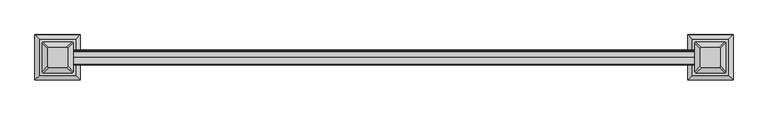
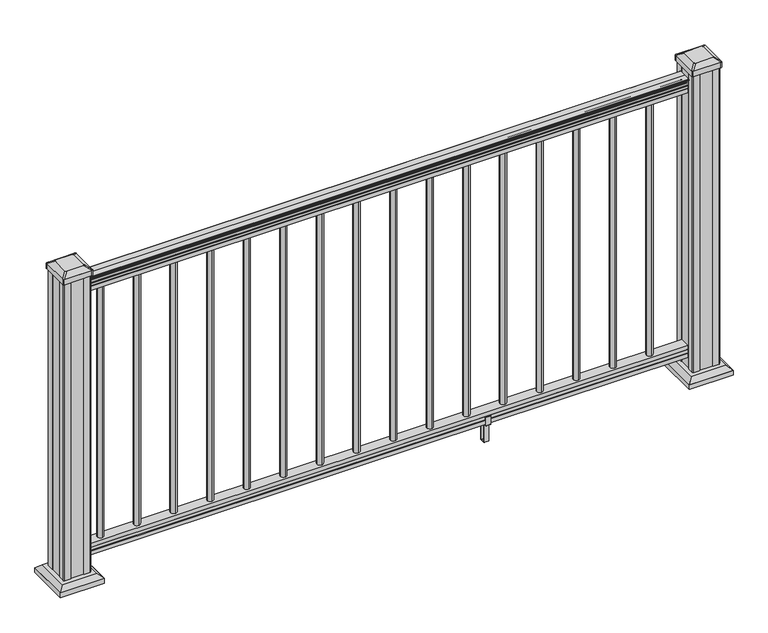
"""IFC4 building model written with IfcOpenShell, lengths in millimetres: railing geometry."""

from ifc_helpers import new_model, si_unit, point, frame, frame_2d, origin, origin_with_axes, place, context, project, spatial, polyline, circle_curve, trimmed, segment, composite_curve, outline, extrude, faceted_brep, source, transform, mapped, element, save
from ifc_brep_helpers import plane_surface, extruded_surface, advanced_brep


def railing_474f02d1(model_context):
    return source(origin(), model_context, "Body", "SolidModel", [
        extrude(outline(composite_curve([segment(polyline([(938.4043297, -20977.4902081), (940.292412, -20977.4902081)]), True, "CONTINUOUS"), segment(trimmed(circle_curve(frame_2d((946.0506383, -20983.8049614)), 8.545951), [point((940.292412, -20977.4902081))], [point((941.8546695, -20976.3600218))], False, "CARTESIAN"), True, "CONTINUOUS"), segment(trimmed(circle_curve(frame_2d((945.4636577, -20983.3678984)), 7.882584), [point((941.8546695, -20976.3600218))], [point((949.0726458, -20976.3600218))], False, "CARTESIAN"), True, "CONTINUOUS"), segment(trimmed(circle_curve(frame_2d((951.3112527, -20972.8545743)), 4.1592695), [point((949.0726458, -20976.3600218))], [point((951.5060812, -20977.0092782))], True, "CARTESIAN"), True, "CONTINUOUS"), segment(trimmed(circle_curve(frame_2d((951.2508864, -20971.5672677)), 5.4479907), [point((951.5060812, -20977.0092782))], [point((955.8362083, -20974.5092782))], True, "CARTESIAN"), True, "CONTINUOUS"), segment(trimmed(circle_curve(frame_2d((955.833395, -20972.8004262)), 1.7088543), [point((955.8362083, -20974.5092782))], [point((957.5157972, -20973.0999357))], True, "CARTESIAN"), True, "CONTINUOUS"), segment(trimmed(circle_curve(frame_2d((958.6205318, -20974.4173262)), 1.7192895), [point((957.5157972, -20973.0999357))], [point((958.6205318, -20972.6980367))], False, "CARTESIAN"), True, "CONTINUOUS"), segment(polyline([(958.6205318, -20972.6980367), (959.9608158, -20972.6980368)]), True, "CONTINUOUS"), segment(trimmed(circle_curve(frame_2d((959.9608158, -20974.251484)), 1.5534472), [point((959.9608158, -20972.6980368))], [point((961.514263, -20974.251484))], False, "CARTESIAN"), True, "CONTINUOUS"), segment(polyline([(961.514263, -20974.251484), (961.514263, -20994.9230368), (961.514263, -21015.5945896)]), True, "CONTINUOUS"), segment(trimmed(circle_curve(frame_2d((959.9608158, -21015.5945896)), 1.5534472), [point((961.514263, -21015.5945896))], [point((959.9608158, -21017.1480368))], False, "CARTESIAN"), True, "CONTINUOUS"), segment(polyline([(959.9608158, -21017.1480368), (958.6205318, -21017.1480368)]), True, "CONTINUOUS"), segment(trimmed(circle_curve(frame_2d((958.6205318, -21015.4287474)), 1.7192895), [point((958.6205318, -21017.1480368))], [point((957.5157972, -21016.7461379))], False, "CARTESIAN"), True, "CONTINUOUS"), segment(trimmed(circle_curve(frame_2d((955.833395, -21017.0456475)), 1.7088543), [point((957.5157972, -21016.7461379))], [point((955.8362083, -21015.3367954))], True, "CARTESIAN"), True, "CONTINUOUS"), segment(trimmed(circle_curve(frame_2d((951.2508864, -21018.2788059)), 5.4479907), [point((955.8362083, -21015.3367954))], [point((951.5060812, -21012.8367954))], True, "CARTESIAN"), True, "CONTINUOUS"), segment(trimmed(circle_curve(frame_2d((951.3112527, -21016.9914994)), 4.1592695), [point((951.5060812, -21012.8367954))], [point((949.0726458, -21013.4860518))], True, "CARTESIAN"), True, "CONTINUOUS"), segment(trimmed(circle_curve(frame_2d((945.4636577, -21006.4781752)), 7.882584), [point((949.0726458, -21013.4860518))], [point((941.8546695, -21013.4860518))], False, "CARTESIAN"), True, "CONTINUOUS"), segment(trimmed(circle_curve(frame_2d((946.0506383, -21006.0411123)), 8.545951), [point((941.8546695, -21013.4860518))], [point((940.292412, -21012.3558655))], False, "CARTESIAN"), True, "CONTINUOUS"), segment(polyline([(940.292412, -21012.3558655), (938.4043297, -21012.3558655)]), True, "CONTINUOUS"), segment(trimmed(circle_curve(frame_2d((938.4043297, -21011.0689512)), 1.2869144), [point((938.4043297, -21012.3558655))], [point((938.4043297, -21009.7820368))], False, "CARTESIAN"), True, "CONTINUOUS"), segment(polyline([(938.4043297, -21009.7820368), (927.9048283, -21009.7820368), (926.8888283, -21010.7980368), (914.4, -21010.7980368), (914.4, -20979.0480368), (926.731013, -20979.0480368), (927.747013, -20980.0640368), (938.4043297, -20980.0640368)]), True, "CONTINUOUS"), segment(trimmed(circle_curve(frame_2d((938.4043297, -20978.7771224)), 1.2869144), [point((938.4043297, -20980.0640368))], [point((938.4043297, -20977.4902081))], False, "CARTESIAN"), True, "CONTINUOUS")], self_intersect=False)), frame((15674.3243019, 0.0, 0.0), z_axis=(-1.0, 0.0, 0.0), x_axis=(0.0, 0.0, 1.0)), (0.0, 0.0, 1.0), 1828.8),
        extrude(outline(polyline([(-20979.0105499, 76.0541976), (-20979.0105499, 63.5), (-21010.7605499, 63.5), (-21010.7605499, 76.0375508), (-21009.7445499, 77.3858283), (-21009.7445499, 87.6975248), (-21010.7605499, 89.0458024), (-21010.7605499, 101.5958781), (-20979.0105499, 101.5958781), (-20979.0105499, 89.0624492), (-20980.0265499, 87.7141717), (-20980.0265499, 77.3546183), (-20979.0105499, 76.0541976)])), frame((13845.5243019, 0.0, 0.0), z_axis=(1.0, 0.0, 0.0), x_axis=(0.0, 1.0, 0.0)), (0.0, 0.0, 1.0), 1828.8),
        extrude(outline(composite_curve([segment(trimmed(circle_curve(frame_2d((15566.6283019, -20994.9230368)), 9.525), [point((15566.6283019, -20985.3980368))], [point((15576.1533019, -20994.9230368))], False, "CARTESIAN"), True, "CONTINUOUS"), segment(trimmed(circle_curve(frame_2d((15566.6283019, -20994.9230368)), 9.525), [point((15576.1533019, -20994.9230368))], [point((15566.6283019, -21004.4480368))], False, "CARTESIAN"), True, "CONTINUOUS"), segment(trimmed(circle_curve(frame_2d((15566.6283019, -20994.9230368)), 9.525), [point((15566.6283019, -21004.4480368))], [point((15557.1033019, -20994.9230368))], False, "CARTESIAN"), True, "CONTINUOUS"), segment(trimmed(circle_curve(frame_2d((15566.6283019, -20994.9230368)), 9.525), [point((15557.1033019, -20994.9230368))], [point((15566.6283019, -20985.3980368))], False, "CARTESIAN"), True, "CONTINUOUS")], self_intersect=False)), frame((0.0, 0.0, 101.5958781), z_axis=(0.0, 0.0, 1.0), x_axis=(1.0, 0.0, 0.0)), (0.0, 0.0, 1.0), 812.8041219),
        extrude(outline(composite_curve([segment(trimmed(circle_curve(frame_2d((15455.3763019, -20994.9230368)), 9.525), [point((15455.3763019, -20985.3980368))], [point((15464.9013019, -20994.9230368))], False, "CARTESIAN"), True, "CONTINUOUS"), segment(trimmed(circle_curve(frame_2d((15455.3763019, -20994.9230368)), 9.525), [point((15464.9013019, -20994.9230368))], [point((15455.3763019, -21004.4480368))], False, "CARTESIAN"), True, "CONTINUOUS"), segment(trimmed(circle_curve(frame_2d((15455.3763019, -20994.9230368)), 9.525), [point((15455.3763019, -21004.4480368))], [point((15445.8513019, -20994.9230368))], False, "CARTESIAN"), True, "CONTINUOUS"), segment(trimmed(circle_curve(frame_2d((15455.3763019, -20994.9230368)), 9.525), [point((15445.8513019, -20994.9230368))], [point((15455.3763019, -20985.3980368))], False, "CARTESIAN"), True, "CONTINUOUS")], self_intersect=False)), frame((0.0, 0.0, 101.5958781), z_axis=(0.0, 0.0, 1.0), x_axis=(1.0, 0.0, 0.0)), (0.0, 0.0, 1.0), 812.8041219),
        extrude(outline(composite_curve([segment(trimmed(circle_curve(frame_2d((15344.1243019, -20994.9230368)), 9.525), [point((15344.1243019, -20985.3980368))], [point((15353.6493019, -20994.9230368))], False, "CARTESIAN"), True, "CONTINUOUS"), segment(trimmed(circle_curve(frame_2d((15344.1243019, -20994.9230368)), 9.525), [point((15353.6493019, -20994.9230368))], [point((15344.1243019, -21004.4480368))], False, "CARTESIAN"), True, "CONTINUOUS"), segment(trimmed(circle_curve(frame_2d((15344.1243019, -20994.9230368)), 9.525), [point((15344.1243019, -21004.4480368))], [point((15334.5993019, -20994.9230368))], False, "CARTESIAN"), True, "CONTINUOUS"), segment(trimmed(circle_curve(frame_2d((15344.1243019, -20994.9230368)), 9.525), [point((15334.5993019, -20994.9230368))], [point((15344.1243019, -20985.3980368))], False, "CARTESIAN"), True, "CONTINUOUS")], self_intersect=False)), frame((0.0, 0.0, 101.5958781), z_axis=(0.0, 0.0, 1.0), x_axis=(1.0, 0.0, 0.0)), (0.0, 0.0, 1.0), 812.8041219),
        extrude(outline(composite_curve([segment(trimmed(circle_curve(frame_2d((15232.8723019, -20994.9230368)), 9.525), [point((15232.8723019, -20985.3980368))], [point((15242.3973019, -20994.9230368))], False, "CARTESIAN"), True, "CONTINUOUS"), segment(trimmed(circle_curve(frame_2d((15232.8723019, -20994.9230368)), 9.525), [point((15242.3973019, -20994.9230368))], [point((15232.8723019, -21004.4480368))], False, "CARTESIAN"), True, "CONTINUOUS"), segment(trimmed(circle_curve(frame_2d((15232.8723019, -20994.9230368)), 9.525), [point((15232.8723019, -21004.4480368))], [point((15223.3473019, -20994.9230368))], False, "CARTESIAN"), True, "CONTINUOUS"), segment(trimmed(circle_curve(frame_2d((15232.8723019, -20994.9230368)), 9.525), [point((15223.3473019, -20994.9230368))], [point((15232.8723019, -20985.3980368))], False, "CARTESIAN"), True, "CONTINUOUS")], self_intersect=False)), frame((0.0, 0.0, 101.5958781), z_axis=(0.0, 0.0, 1.0), x_axis=(1.0, 0.0, 0.0)), (0.0, 0.0, 1.0), 812.8041219),
        extrude(outline(composite_curve([segment(trimmed(circle_curve(frame_2d((15121.6203019, -20994.9230368)), 9.525), [point((15121.6203019, -20985.3980368))], [point((15131.1453019, -20994.9230368))], False, "CARTESIAN"), True, "CONTINUOUS"), segment(trimmed(circle_curve(frame_2d((15121.6203019, -20994.9230368)), 9.525), [point((15131.1453019, -20994.9230368))], [point((15121.6203019, -21004.4480368))], False, "CARTESIAN"), True, "CONTINUOUS"), segment(trimmed(circle_curve(frame_2d((15121.6203019, -20994.9230368)), 9.525), [point((15121.6203019, -21004.4480368))], [point((15112.0953019, -20994.9230368))], False, "CARTESIAN"), True, "CONTINUOUS"), segment(trimmed(circle_curve(frame_2d((15121.6203019, -20994.9230368)), 9.525), [point((15112.0953019, -20994.9230368))], [point((15121.6203019, -20985.3980368))], False, "CARTESIAN"), True, "CONTINUOUS")], self_intersect=False)), frame((0.0, 0.0, 101.5958781), z_axis=(0.0, 0.0, 1.0), x_axis=(1.0, 0.0, 0.0)), (0.0, 0.0, 1.0), 812.8041219),
        extrude(outline(polyline([(-21013.0840356, 88.7203979), (-21011.052036, 88.7203979), (-21010.0360363, 87.7043953), (-21010.0360363, 77.2686081), (-21011.052036, 76.2526073), (-21011.052036, 64.262001), (-21010.2900369, 63.5000019), (-20979.5560358, 63.5000019), (-20978.7940366, 64.262001), (-20978.7940366, 76.2526073), (-20979.8100364, 77.2686081), (-20979.8100364, 87.7043953), (-20978.7940366, 88.7203979), (-20976.762037, 88.7203979), (-20976.000036, 87.9583969), (-20976.000036, 61.4680023), (-20976.762037, 60.7060013), (-20986.7950361, 60.7060013), (-20987.5570362, 59.9440012), (-20987.5570362, 0.762001), (-20988.3190372, 0.0), (-21001.5270364, 0.0), (-21002.2890365, 0.7620001), (-21002.2890365, 59.9440012), (-21003.0510366, 60.7060013), (-21013.0840356, 60.7060013), (-21013.8460367, 61.4680023), (-21013.8460367, 87.9583969), (-21013.0840356, 88.7203979)]), holes=[polyline([(-20991.4940364, 60.7060013), (-20998.3520362, 60.7060013), (-20999.1140363, 59.9440012), (-20999.1140363, 3.9370003), (-20998.3520391, 3.1750031), (-20991.4940364, 3.1750031), (-20990.7320363, 3.9370031), (-20990.7320363, 59.9440012), (-20991.4940364, 60.7060013)])]), frame((15058.6283019, 0.0, 0.0), z_axis=(1.0, 0.0, 0.0), x_axis=(0.0, 1.0, 0.0)), (0.0, 0.0, 1.0), 14.732),
        extrude(outline(composite_curve([segment(trimmed(circle_curve(frame_2d((15010.3683019, -20994.9230368)), 9.525), [point((15010.3683019, -20985.3980368))], [point((15019.8933019, -20994.9230368))], False, "CARTESIAN"), True, "CONTINUOUS"), segment(trimmed(circle_curve(frame_2d((15010.3683019, -20994.9230368)), 9.525), [point((15019.8933019, -20994.9230368))], [point((15010.3683019, -21004.4480368))], False, "CARTESIAN"), True, "CONTINUOUS"), segment(trimmed(circle_curve(frame_2d((15010.3683019, -20994.9230368)), 9.525), [point((15010.3683019, -21004.4480368))], [point((15000.8433019, -20994.9230368))], False, "CARTESIAN"), True, "CONTINUOUS"), segment(trimmed(circle_curve(frame_2d((15010.3683019, -20994.9230368)), 9.525), [point((15000.8433019, -20994.9230368))], [point((15010.3683019, -20985.3980368))], False, "CARTESIAN"), True, "CONTINUOUS")], self_intersect=False)), frame((0.0, 0.0, 101.5958781), z_axis=(0.0, 0.0, 1.0), x_axis=(1.0, 0.0, 0.0)), (0.0, 0.0, 1.0), 812.8041219),
        extrude(outline(composite_curve([segment(trimmed(circle_curve(frame_2d((14899.1163019, -20994.9230368)), 9.525), [point((14899.1163019, -20985.3980368))], [point((14908.6413019, -20994.9230368))], False, "CARTESIAN"), True, "CONTINUOUS"), segment(trimmed(circle_curve(frame_2d((14899.1163019, -20994.9230368)), 9.525), [point((14908.6413019, -20994.9230368))], [point((14899.1163019, -21004.4480368))], False, "CARTESIAN"), True, "CONTINUOUS"), segment(trimmed(circle_curve(frame_2d((14899.1163019, -20994.9230368)), 9.525), [point((14899.1163019, -21004.4480368))], [point((14889.5913019, -20994.9230368))], False, "CARTESIAN"), True, "CONTINUOUS"), segment(trimmed(circle_curve(frame_2d((14899.1163019, -20994.9230368)), 9.525), [point((14889.5913019, -20994.9230368))], [point((14899.1163019, -20985.3980368))], False, "CARTESIAN"), True, "CONTINUOUS")], self_intersect=False)), frame((0.0, 0.0, 101.5958781), z_axis=(0.0, 0.0, 1.0), x_axis=(1.0, 0.0, 0.0)), (0.0, 0.0, 1.0), 812.8041219),
        extrude(outline(composite_curve([segment(trimmed(circle_curve(frame_2d((14787.8643019, -20994.9230368)), 9.525), [point((14787.8643019, -20985.3980368))], [point((14797.3893019, -20994.9230368))], False, "CARTESIAN"), True, "CONTINUOUS"), segment(trimmed(circle_curve(frame_2d((14787.8643019, -20994.9230368)), 9.525), [point((14797.3893019, -20994.9230368))], [point((14787.8643019, -21004.4480368))], False, "CARTESIAN"), True, "CONTINUOUS"), segment(trimmed(circle_curve(frame_2d((14787.8643019, -20994.9230368)), 9.525), [point((14787.8643019, -21004.4480368))], [point((14778.3393019, -20994.9230368))], False, "CARTESIAN"), True, "CONTINUOUS"), segment(trimmed(circle_curve(frame_2d((14787.8643019, -20994.9230368)), 9.525), [point((14778.3393019, -20994.9230368))], [point((14787.8643019, -20985.3980368))], False, "CARTESIAN"), True, "CONTINUOUS")], self_intersect=False)), frame((0.0, 0.0, 101.5958781), z_axis=(0.0, 0.0, 1.0), x_axis=(1.0, 0.0, 0.0)), (0.0, 0.0, 1.0), 812.8041219),
        extrude(outline(composite_curve([segment(trimmed(circle_curve(frame_2d((14676.6123019, -20994.9230368)), 9.525), [point((14676.6123019, -20985.3980368))], [point((14686.1373019, -20994.9230368))], False, "CARTESIAN"), True, "CONTINUOUS"), segment(trimmed(circle_curve(frame_2d((14676.6123019, -20994.9230368)), 9.525), [point((14686.1373019, -20994.9230368))], [point((14676.6123019, -21004.4480368))], False, "CARTESIAN"), True, "CONTINUOUS"), segment(trimmed(circle_curve(frame_2d((14676.6123019, -20994.9230368)), 9.525), [point((14676.6123019, -21004.4480368))], [point((14667.0873019, -20994.9230368))], False, "CARTESIAN"), True, "CONTINUOUS"), segment(trimmed(circle_curve(frame_2d((14676.6123019, -20994.9230368)), 9.525), [point((14667.0873019, -20994.9230368))], [point((14676.6123019, -20985.3980368))], False, "CARTESIAN"), True, "CONTINUOUS")], self_intersect=False)), frame((0.0, 0.0, 101.5958781), z_axis=(0.0, 0.0, 1.0), x_axis=(1.0, 0.0, 0.0)), (0.0, 0.0, 1.0), 812.8041219),
        extrude(outline(composite_curve([segment(trimmed(circle_curve(frame_2d((14565.3603019, -20994.9230368)), 9.525), [point((14565.3603019, -20985.3980368))], [point((14574.8853019, -20994.9230368))], False, "CARTESIAN"), True, "CONTINUOUS"), segment(trimmed(circle_curve(frame_2d((14565.3603019, -20994.9230368)), 9.525), [point((14574.8853019, -20994.9230368))], [point((14565.3603019, -21004.4480368))], False, "CARTESIAN"), True, "CONTINUOUS"), segment(trimmed(circle_curve(frame_2d((14565.3603019, -20994.9230368)), 9.525), [point((14565.3603019, -21004.4480368))], [point((14555.8353019, -20994.9230368))], False, "CARTESIAN"), True, "CONTINUOUS"), segment(trimmed(circle_curve(frame_2d((14565.3603019, -20994.9230368)), 9.525), [point((14555.8353019, -20994.9230368))], [point((14565.3603019, -20985.3980368))], False, "CARTESIAN"), True, "CONTINUOUS")], self_intersect=False)), frame((0.0, 0.0, 101.5958781), z_axis=(0.0, 0.0, 1.0), x_axis=(1.0, 0.0, 0.0)), (0.0, 0.0, 1.0), 812.8041219),
        extrude(outline(composite_curve([segment(trimmed(circle_curve(frame_2d((14454.1083019, -20994.9230368)), 9.525), [point((14454.1083019, -20985.3980368))], [point((14463.6333019, -20994.9230368))], False, "CARTESIAN"), True, "CONTINUOUS"), segment(trimmed(circle_curve(frame_2d((14454.1083019, -20994.9230368)), 9.525), [point((14463.6333019, -20994.9230368))], [point((14454.1083019, -21004.4480368))], False, "CARTESIAN"), True, "CONTINUOUS"), segment(trimmed(circle_curve(frame_2d((14454.1083019, -20994.9230368)), 9.525), [point((14454.1083019, -21004.4480368))], [point((14444.5833019, -20994.9230368))], False, "CARTESIAN"), True, "CONTINUOUS"), segment(trimmed(circle_curve(frame_2d((14454.1083019, -20994.9230368)), 9.525), [point((14444.5833019, -20994.9230368))], [point((14454.1083019, -20985.3980368))], False, "CARTESIAN"), True, "CONTINUOUS")], self_intersect=False)), frame((0.0, 0.0, 101.5958781), z_axis=(0.0, 0.0, 1.0), x_axis=(1.0, 0.0, 0.0)), (0.0, 0.0, 1.0), 812.8041219),
        extrude(outline(composite_curve([segment(trimmed(circle_curve(frame_2d((14342.8563019, -20994.9230368)), 9.525), [point((14342.8563019, -20985.3980368))], [point((14352.3813019, -20994.9230368))], False, "CARTESIAN"), True, "CONTINUOUS"), segment(trimmed(circle_curve(frame_2d((14342.8563019, -20994.9230368)), 9.525), [point((14352.3813019, -20994.9230368))], [point((14342.8563019, -21004.4480368))], False, "CARTESIAN"), True, "CONTINUOUS"), segment(trimmed(circle_curve(frame_2d((14342.8563019, -20994.9230368)), 9.525), [point((14342.8563019, -21004.4480368))], [point((14333.3313019, -20994.9230368))], False, "CARTESIAN"), True, "CONTINUOUS"), segment(trimmed(circle_curve(frame_2d((14342.8563019, -20994.9230368)), 9.525), [point((14333.3313019, -20994.9230368))], [point((14342.8563019, -20985.3980368))], False, "CARTESIAN"), True, "CONTINUOUS")], self_intersect=False)), frame((0.0, 0.0, 101.5958781), z_axis=(0.0, 0.0, 1.0), x_axis=(1.0, 0.0, 0.0)), (0.0, 0.0, 1.0), 812.8041219),
        extrude(outline(composite_curve([segment(trimmed(circle_curve(frame_2d((14231.6043019, -20994.9230368)), 9.525), [point((14231.6043019, -20985.3980368))], [point((14241.1293019, -20994.9230368))], False, "CARTESIAN"), True, "CONTINUOUS"), segment(trimmed(circle_curve(frame_2d((14231.6043019, -20994.9230368)), 9.525), [point((14241.1293019, -20994.9230368))], [point((14231.6043019, -21004.4480368))], False, "CARTESIAN"), True, "CONTINUOUS"), segment(trimmed(circle_curve(frame_2d((14231.6043019, -20994.9230368)), 9.525), [point((14231.6043019, -21004.4480368))], [point((14222.0793019, -20994.9230368))], False, "CARTESIAN"), True, "CONTINUOUS"), segment(trimmed(circle_curve(frame_2d((14231.6043019, -20994.9230368)), 9.525), [point((14222.0793019, -20994.9230368))], [point((14231.6043019, -20985.3980368))], False, "CARTESIAN"), True, "CONTINUOUS")], self_intersect=False)), frame((0.0, 0.0, 101.5958781), z_axis=(0.0, 0.0, 1.0), x_axis=(1.0, 0.0, 0.0)), (0.0, 0.0, 1.0), 812.8041219),
        extrude(outline(composite_curve([segment(trimmed(circle_curve(frame_2d((14120.3523019, -20994.9230368)), 9.525), [point((14120.3523019, -20985.3980368))], [point((14129.8773019, -20994.9230368))], False, "CARTESIAN"), True, "CONTINUOUS"), segment(trimmed(circle_curve(frame_2d((14120.3523019, -20994.9230368)), 9.525), [point((14129.8773019, -20994.9230368))], [point((14120.3523019, -21004.4480368))], False, "CARTESIAN"), True, "CONTINUOUS"), segment(trimmed(circle_curve(frame_2d((14120.3523019, -20994.9230368)), 9.525), [point((14120.3523019, -21004.4480368))], [point((14110.8273019, -20994.9230368))], False, "CARTESIAN"), True, "CONTINUOUS"), segment(trimmed(circle_curve(frame_2d((14120.3523019, -20994.9230368)), 9.525), [point((14110.8273019, -20994.9230368))], [point((14120.3523019, -20985.3980368))], False, "CARTESIAN"), True, "CONTINUOUS")], self_intersect=False)), frame((0.0, 0.0, 101.5958781), z_axis=(0.0, 0.0, 1.0), x_axis=(1.0, 0.0, 0.0)), (0.0, 0.0, 1.0), 812.8041219),
        extrude(outline(composite_curve([segment(trimmed(circle_curve(frame_2d((14009.1003019, -20994.9230368)), 9.525), [point((14009.1003019, -20985.3980368))], [point((14018.6253019, -20994.9230368))], False, "CARTESIAN"), True, "CONTINUOUS"), segment(trimmed(circle_curve(frame_2d((14009.1003019, -20994.9230368)), 9.525), [point((14018.6253019, -20994.9230368))], [point((14009.1003019, -21004.4480368))], False, "CARTESIAN"), True, "CONTINUOUS"), segment(trimmed(circle_curve(frame_2d((14009.1003019, -20994.9230368)), 9.525), [point((14009.1003019, -21004.4480368))], [point((13999.5753019, -20994.9230368))], False, "CARTESIAN"), True, "CONTINUOUS"), segment(trimmed(circle_curve(frame_2d((14009.1003019, -20994.9230368)), 9.525), [point((13999.5753019, -20994.9230368))], [point((14009.1003019, -20985.3980368))], False, "CARTESIAN"), True, "CONTINUOUS")], self_intersect=False)), frame((0.0, 0.0, 101.5958781), z_axis=(0.0, 0.0, 1.0), x_axis=(1.0, 0.0, 0.0)), (0.0, 0.0, 1.0), 812.8041219),
        extrude(outline(composite_curve([segment(trimmed(circle_curve(frame_2d((13897.8483019, -20994.9230368)), 9.525), [point((13897.8483019, -20985.3980368))], [point((13907.3733019, -20994.9230368))], False, "CARTESIAN"), True, "CONTINUOUS"), segment(trimmed(circle_curve(frame_2d((13897.8483019, -20994.9230368)), 9.525), [point((13907.3733019, -20994.9230368))], [point((13897.8483019, -21004.4480368))], False, "CARTESIAN"), True, "CONTINUOUS"), segment(trimmed(circle_curve(frame_2d((13897.8483019, -20994.9230368)), 9.525), [point((13897.8483019, -21004.4480368))], [point((13888.3233019, -20994.9230368))], False, "CARTESIAN"), True, "CONTINUOUS"), segment(trimmed(circle_curve(frame_2d((13897.8483019, -20994.9230368)), 9.525), [point((13888.3233019, -20994.9230368))], [point((13897.8483019, -20985.3980368))], False, "CARTESIAN"), True, "CONTINUOUS")], self_intersect=False)), frame((0.0, 0.0, 101.5958781), z_axis=(0.0, 0.0, 1.0), x_axis=(1.0, 0.0, 0.0)), (0.0, 0.0, 1.0), 812.8041219),
        faceted_brep([(15663.1403644, -20942.3370993, 28.575), (15663.1403644, -21047.5089743, 28.575), (15768.3122394, -21047.5089743, 28.575), (15768.3122394, -20942.3370993, 28.575), (15649.1009113, -20928.2976462, 15.24), (15782.3516926, -20928.2976462, 15.24), (15782.3516926, -21061.5484274, 15.24), (15649.1009113, -21061.5484274, 15.24)], [[[0, 1, 2, 3]], [[4, 5, 6, 7]], [[4, 7, 1, 0]], [[7, 6, 2, 1]], [[6, 5, 3, 2]], [[5, 4, 0, 3]]]),
        extrude(outline(polyline([(15649.1009113, -20928.2976462), (15782.3516926, -20928.2976462), (15782.3516926, -21061.5484274), (15649.1009113, -21061.5484274), (15649.1009113, -20928.2976462)])), origin_with_axes(), (0.0, 0.0, 1.0), 15.24),
        advanced_brep(
        [(15686.7544269, -21020.7199118, 1012.825), (15689.9294269, -21023.8949118, 1012.825), (15741.5231769, -21023.8949118, 1012.825), (15744.6981769, -21020.7199118, 1012.825), (15744.6981769, -20969.1261618, 1012.825), (15741.5231769, -20965.9511618, 1012.825), (15689.9294269, -20965.9511618, 1012.825), (15686.7544269, -20969.1261618, 1012.825), (15670.4825519, -21036.9917868, 1001.522), (15670.4825519, -20952.8542868, 1001.522), (15673.6575519, -20949.6792868, 1001.522), (15757.7950519, -20949.6792868, 1001.522), (15760.9700519, -20952.8542868, 1001.522), (15760.9700519, -21036.9917868, 1001.522), (15757.7950519, -21040.1667868, 1001.522), (15673.6575519, -21040.1667868, 1001.522)],
        [
            (0, 1, circle_curve(frame((15689.9294269, -21020.7199118, 1012.825), z_axis=(0.0, 0.0, 1.0), x_axis=(1.0, 0.0, 0.0)), 3.175)),
            (1, 2),
            (2, 3, circle_curve(frame((15741.5231769, -21020.7199118, 1012.825), z_axis=(0.0, 0.0, 1.0), x_axis=(1.0, 0.0, 0.0)), 3.175)),
            (3, 4),
            (4, 5, circle_curve(frame((15741.5231769, -20969.1261618, 1012.825), z_axis=(0.0, 0.0, 1.0), x_axis=(1.0, 0.0, 0.0)), 3.175)),
            (5, 6),
            (6, 7, circle_curve(frame((15689.9294269, -20969.1261618, 1012.825), z_axis=(0.0, 0.0, 1.0), x_axis=(1.0, 0.0, 0.0)), 3.175)),
            (7, 0),
            (8, 9),
            (9, 10, circle_curve(frame((15673.6575519, -20952.8542868, 1001.522), z_axis=(0.0, 0.0, -1.0), x_axis=(1.0, 0.0, 0.0)), 3.175)),
            (10, 11),
            (11, 12, circle_curve(frame((15757.7950519, -20952.8542868, 1001.522), z_axis=(0.0, 0.0, -1.0), x_axis=(1.0, 0.0, 0.0)), 3.175)),
            (12, 13),
            (13, 14, circle_curve(frame((15757.7950519, -21036.9917868, 1001.522), z_axis=(0.0, 0.0, -1.0), x_axis=(1.0, 0.0, 0.0)), 3.175)),
            (14, 15),
            (15, 8, circle_curve(frame((15673.6575519, -21036.9917868, 1001.522), z_axis=(0.0, 0.0, -1.0), x_axis=(1.0, 0.0, 0.0)), 3.175)),
            (15, 1),
            (0, 8),
            (14, 2),
            (13, 3),
            (12, 4),
            (11, 5),
            (10, 6),
            (9, 7),
        ],
        [
            plane_surface(frame((15715.7263019, -20994.9230368, 1012.825), z_axis=(0.0, 0.0, 1.0), x_axis=(0.0, -1.0, 0.0))),
            plane_surface(frame((15715.7263019, -20994.9230368, 1001.522), z_axis=(0.0, 0.0, -1.0), x_axis=(0.0, -1.0, 0.0))),
            extruded_surface(trimmed(circle_curve(frame((15673.6575519, -21036.9917868, 1001.522), z_axis=(0.0, 0.0, 1.0), x_axis=(1.0, 0.0, 0.0)), 3.175), [point((15670.4825519, -21036.9917868, 1001.522))], [point((15673.6575519, -21040.1667868, 1001.522))], True, "CARTESIAN"), (16.271875000000364, 16.271875000002183, 11.302999999999997), 25.63797263886778),
            plane_surface(frame((15715.7263019, -21040.1667868, 1001.522), z_axis=(0.0, -0.5705009161540779, 0.8212969649690408), x_axis=(1.0, 0.0, 0.0))),
            extruded_surface(trimmed(circle_curve(frame((15757.7950519, -21036.9917868, 1001.522), z_axis=(0.0, 0.0, 1.0), x_axis=(1.0, 0.0, 0.0)), 3.175), [point((15757.7950519, -21040.1667868, 1001.522))], [point((15760.9700519, -21036.9917868, 1001.522))], True, "CARTESIAN"), (-16.271875000000364, 16.271875000002183, 11.302999999999997), 25.63797263886778),
            plane_surface(frame((15760.9700519, -20994.9230368, 1001.522), z_axis=(0.5705009161540291, 0.0, 0.8212969649690747), x_axis=(0.0, 1.0, 0.0))),
            extruded_surface(trimmed(circle_curve(frame((15757.7950519, -20952.8542868, 1001.522), z_axis=(0.0, 0.0, 1.0), x_axis=(1.0, 0.0, 0.0)), 3.175), [point((15760.9700519, -20952.8542868, 1001.522))], [point((15757.7950519, -20949.6792868, 1001.522))], True, "CARTESIAN"), (-16.271875000000364, -16.271874999998545, 11.302999999999997), 25.637972638865467),
            plane_surface(frame((15715.7263019, -20949.6792868, 1001.522), z_axis=(0.0, 0.5705009161540141, 0.8212969649690851), x_axis=(-1.0, 0.0, 0.0))),
            extruded_surface(trimmed(circle_curve(frame((15673.6575519, -20952.8542868, 1001.522), z_axis=(0.0, 0.0, 1.0), x_axis=(1.0, 0.0, 0.0)), 3.175), [point((15673.6575519, -20949.6792868, 1001.522))], [point((15670.4825519, -20952.8542868, 1001.522))], True, "CARTESIAN"), (16.271875000000364, -16.271874999998545, 11.302999999999997), 25.637972638865467),
            plane_surface(frame((15670.4825519, -20994.9230368, 1001.522), z_axis=(-0.570500916154034, 0.0, 0.8212969649690713), x_axis=(0.0, -1.0, 0.0))),
        ],
        [
            (0, [[1, 2, 3, 4, 5, 6, 7, 8]]),
            (1, [[9, 10, 11, 12, 13, 14, 15, 16]]),
            (2, [[-16, 17, -1, 18]]),
            (3, [[-15, 19, -2, -17]]),
            (4, [[-14, 20, -3, -19]]),
            (5, [[-13, 21, -4, -20]]),
            (6, [[-12, 22, -5, -21]]),
            (7, [[-11, 23, -6, -22]]),
            (8, [[-10, 24, -7, -23]]),
            (9, [[-9, -18, -8, -24]]),
        ],
    ),
        extrude(outline(composite_curve([segment(polyline([(15670.4825519, -21036.9917868), (15670.4825519, -20952.8542868)]), True, "CONTINUOUS"), segment(trimmed(circle_curve(frame_2d((15673.6575519, -20952.8542868)), 3.175), [point((15670.4825519, -20952.8542868))], [point((15673.6575519, -20949.6792868))], False, "CARTESIAN"), True, "CONTINUOUS"), segment(polyline([(15673.6575519, -20949.6792868), (15757.7950519, -20949.6792868)]), True, "CONTINUOUS"), segment(trimmed(circle_curve(frame_2d((15757.7950519, -20952.8542868)), 3.175), [point((15757.7950519, -20949.6792868))], [point((15760.9700519, -20952.8542868))], False, "CARTESIAN"), True, "CONTINUOUS"), segment(polyline([(15760.9700519, -20952.8542868), (15760.9700519, -21036.9917868)]), True, "CONTINUOUS"), segment(trimmed(circle_curve(frame_2d((15757.7950519, -21036.9917868)), 3.175), [point((15760.9700519, -21036.9917868))], [point((15757.7950519, -21040.1667868))], False, "CARTESIAN"), True, "CONTINUOUS"), segment(polyline([(15757.7950519, -21040.1667868), (15673.6575519, -21040.1667868)]), True, "CONTINUOUS"), segment(trimmed(circle_curve(frame_2d((15673.6575519, -21036.9917868)), 3.175), [point((15673.6575519, -21040.1667868))], [point((15670.4825519, -21036.9917868))], False, "CARTESIAN"), True, "CONTINUOUS")], self_intersect=False)), frame((0.0, 0.0, 984.25), z_axis=(0.0, 0.0, 1.0), x_axis=(1.0, 0.0, 0.0)), (0.0, 0.0, 1.0), 17.272),
        extrude(outline(polyline([(15674.4513019, -21034.6105368), (15674.4513019, -21014.9890368), (15676.0388019, -21014.2270368), (15676.0388019, -20975.6190368), (15674.4513019, -20974.8570368), (15674.4513019, -20955.2355368), (15676.0388019, -20953.6480368), (15695.6603019, -20953.6480368), (15696.4223019, -20955.2355368), (15735.0303019, -20955.2355368), (15735.7923019, -20953.6480368), (15755.4138019, -20953.6480368), (15757.0013019, -20955.2355368), (15757.0013019, -20974.8570368), (15755.4138019, -20975.6190368), (15755.4138019, -21014.2270368), (15757.0013019, -21014.9890368), (15757.0013019, -21034.6105368), (15755.4138019, -21036.1980368), (15735.7923019, -21036.1980368), (15735.0303019, -21034.6105368), (15696.4223019, -21034.6105368), (15695.6603019, -21036.1980368), (15676.0388019, -21036.1980368), (15674.4513019, -21034.6105368)])), origin_with_axes(), (0.0, 0.0, 1.0), 984.25),
        faceted_brep([(13751.5363644, -20942.3370993, 28.575), (13751.5363644, -21047.5089743, 28.575), (13856.7082394, -21047.5089743, 28.575), (13856.7082394, -20942.3370993, 28.575), (13737.4969113, -20928.2976462, 15.24), (13870.7476926, -20928.2976462, 15.24), (13870.7476926, -21061.5484274, 15.24), (13737.4969113, -21061.5484274, 15.24)], [[[0, 1, 2, 3]], [[4, 5, 6, 7]], [[4, 7, 1, 0]], [[7, 6, 2, 1]], [[6, 5, 3, 2]], [[5, 4, 0, 3]]]),
        extrude(outline(polyline([(13737.4969113, -20928.2976462), (13870.7476926, -20928.2976462), (13870.7476926, -21061.5484274), (13737.4969113, -21061.5484274), (13737.4969113, -20928.2976462)])), origin_with_axes(), (0.0, 0.0, 1.0), 15.24),
        advanced_brep(
        [(13775.1504269, -21020.7199118, 1012.825), (13778.3254269, -21023.8949118, 1012.825), (13829.9191769, -21023.8949118, 1012.825), (13833.0941769, -21020.7199118, 1012.825), (13833.0941769, -20969.1261618, 1012.825), (13829.9191769, -20965.9511618, 1012.825), (13778.3254269, -20965.9511618, 1012.825), (13775.1504269, -20969.1261618, 1012.825), (13758.8785519, -21036.9917868, 1001.522), (13758.8785519, -20952.8542868, 1001.522), (13762.0535519, -20949.6792868, 1001.522), (13846.1910519, -20949.6792868, 1001.522), (13849.3660519, -20952.8542868, 1001.522), (13849.3660519, -21036.9917868, 1001.522), (13846.1910519, -21040.1667868, 1001.522), (13762.0535519, -21040.1667868, 1001.522)],
        [
            (0, 1, circle_curve(frame((13778.3254269, -21020.7199118, 1012.825), z_axis=(0.0, 0.0, 1.0), x_axis=(1.0, 0.0, 0.0)), 3.175)),
            (1, 2),
            (2, 3, circle_curve(frame((13829.9191769, -21020.7199118, 1012.825), z_axis=(0.0, 0.0, 1.0), x_axis=(1.0, 0.0, 0.0)), 3.175)),
            (3, 4),
            (4, 5, circle_curve(frame((13829.9191769, -20969.1261618, 1012.825), z_axis=(0.0, 0.0, 1.0), x_axis=(1.0, 0.0, 0.0)), 3.175)),
            (5, 6),
            (6, 7, circle_curve(frame((13778.3254269, -20969.1261618, 1012.825), z_axis=(0.0, 0.0, 1.0), x_axis=(1.0, 0.0, 0.0)), 3.175)),
            (7, 0),
            (8, 9),
            (9, 10, circle_curve(frame((13762.0535519, -20952.8542868, 1001.522), z_axis=(0.0, 0.0, -1.0), x_axis=(1.0, 0.0, 0.0)), 3.175)),
            (10, 11),
            (11, 12, circle_curve(frame((13846.1910519, -20952.8542868, 1001.522), z_axis=(0.0, 0.0, -1.0), x_axis=(1.0, 0.0, 0.0)), 3.175)),
            (12, 13),
            (13, 14, circle_curve(frame((13846.1910519, -21036.9917868, 1001.522), z_axis=(0.0, 0.0, -1.0), x_axis=(1.0, 0.0, 0.0)), 3.175)),
            (14, 15),
            (15, 8, circle_curve(frame((13762.0535519, -21036.9917868, 1001.522), z_axis=(0.0, 0.0, -1.0), x_axis=(1.0, 0.0, 0.0)), 3.175)),
            (15, 1),
            (0, 8),
            (14, 2),
            (13, 3),
            (12, 4),
            (11, 5),
            (10, 6),
            (9, 7),
        ],
        [
            plane_surface(frame((13804.1223019, -20994.9230368, 1012.825), z_axis=(0.0, 0.0, 1.0), x_axis=(0.0, -1.0, 0.0))),
            plane_surface(frame((13804.1223019, -20994.9230368, 1001.522), z_axis=(0.0, 0.0, -1.0), x_axis=(0.0, -1.0, 0.0))),
            extruded_surface(trimmed(circle_curve(frame((13762.0535519, -21036.9917868, 1001.522), z_axis=(0.0, 0.0, 1.0), x_axis=(1.0, 0.0, 0.0)), 3.175), [point((13758.8785519, -21036.9917868, 1001.522))], [point((13762.0535519, -21040.1667868, 1001.522))], True, "CARTESIAN"), (16.271875000000364, 16.271875000002183, 11.302999999999997), 25.63797263886778),
            plane_surface(frame((13804.1223019, -21040.1667868, 1001.522), z_axis=(0.0, -0.5705009161540779, 0.8212969649690408), x_axis=(1.0, 0.0, 0.0))),
            extruded_surface(trimmed(circle_curve(frame((13846.1910519, -21036.9917868, 1001.522), z_axis=(0.0, 0.0, 1.0), x_axis=(1.0, 0.0, 0.0)), 3.175), [point((13846.1910519, -21040.1667868, 1001.522))], [point((13849.3660519, -21036.9917868, 1001.522))], True, "CARTESIAN"), (-16.271874999998545, 16.271875000002183, 11.302999999999997), 25.63797263886662),
            plane_surface(frame((13849.3660519, -20994.9230368, 1001.522), z_axis=(0.5705009161540291, 0.0, 0.8212969649690747), x_axis=(0.0, 1.0, 0.0))),
            extruded_surface(trimmed(circle_curve(frame((13846.1910519, -20952.8542868, 1001.522), z_axis=(0.0, 0.0, 1.0), x_axis=(1.0, 0.0, 0.0)), 3.175), [point((13849.3660519, -20952.8542868, 1001.522))], [point((13846.1910519, -20949.6792868, 1001.522))], True, "CARTESIAN"), (-16.271874999998545, -16.271874999998545, 11.302999999999997), 25.637972638864316),
            plane_surface(frame((13804.1223019, -20949.6792868, 1001.522), z_axis=(0.0, 0.5705009161540141, 0.8212969649690851), x_axis=(-1.0, 0.0, 0.0))),
            extruded_surface(trimmed(circle_curve(frame((13762.0535519, -20952.8542868, 1001.522), z_axis=(0.0, 0.0, 1.0), x_axis=(1.0, 0.0, 0.0)), 3.175), [point((13762.0535519, -20949.6792868, 1001.522))], [point((13758.8785519, -20952.8542868, 1001.522))], True, "CARTESIAN"), (16.271875000000364, -16.271874999998545, 11.302999999999997), 25.637972638865467),
            plane_surface(frame((13758.8785519, -20994.9230368, 1001.522), z_axis=(-0.570500916154034, 0.0, 0.8212969649690713), x_axis=(0.0, -1.0, 0.0))),
        ],
        [
            (0, [[1, 2, 3, 4, 5, 6, 7, 8]]),
            (1, [[9, 10, 11, 12, 13, 14, 15, 16]]),
            (2, [[-16, 17, -1, 18]]),
            (3, [[-15, 19, -2, -17]]),
            (4, [[-14, 20, -3, -19]]),
            (5, [[-13, 21, -4, -20]]),
            (6, [[-12, 22, -5, -21]]),
            (7, [[-11, 23, -6, -22]]),
            (8, [[-10, 24, -7, -23]]),
            (9, [[-9, -18, -8, -24]]),
        ],
    ),
        extrude(outline(composite_curve([segment(polyline([(13758.8785519, -21036.9917868), (13758.8785519, -20952.8542868)]), True, "CONTINUOUS"), segment(trimmed(circle_curve(frame_2d((13762.0535519, -20952.8542868)), 3.175), [point((13758.8785519, -20952.8542868))], [point((13762.0535519, -20949.6792868))], False, "CARTESIAN"), True, "CONTINUOUS"), segment(polyline([(13762.0535519, -20949.6792868), (13846.1910519, -20949.6792868)]), True, "CONTINUOUS"), segment(trimmed(circle_curve(frame_2d((13846.1910519, -20952.8542868)), 3.175), [point((13846.1910519, -20949.6792868))], [point((13849.3660519, -20952.8542868))], False, "CARTESIAN"), True, "CONTINUOUS"), segment(polyline([(13849.3660519, -20952.8542868), (13849.3660519, -21036.9917868)]), True, "CONTINUOUS"), segment(trimmed(circle_curve(frame_2d((13846.1910519, -21036.9917868)), 3.175), [point((13849.3660519, -21036.9917868))], [point((13846.1910519, -21040.1667868))], False, "CARTESIAN"), True, "CONTINUOUS"), segment(polyline([(13846.1910519, -21040.1667868), (13762.0535519, -21040.1667868)]), True, "CONTINUOUS"), segment(trimmed(circle_curve(frame_2d((13762.0535519, -21036.9917868)), 3.175), [point((13762.0535519, -21040.1667868))], [point((13758.8785519, -21036.9917868))], False, "CARTESIAN"), True, "CONTINUOUS")], self_intersect=False)), frame((0.0, 0.0, 984.25), z_axis=(0.0, 0.0, 1.0), x_axis=(1.0, 0.0, 0.0)), (0.0, 0.0, 1.0), 17.272),
        extrude(outline(polyline([(13762.8473019, -21034.6105368), (13762.8473019, -21014.9890368), (13764.4348019, -21014.2270368), (13764.4348019, -20975.6190368), (13762.8473019, -20974.8570368), (13762.8473019, -20955.2355368), (13764.4348019, -20953.6480368), (13784.0563019, -20953.6480368), (13784.8183019, -20955.2355368), (13823.4263019, -20955.2355368), (13824.1883019, -20953.6480368), (13843.8098019, -20953.6480368), (13845.3973019, -20955.2355368), (13845.3973019, -20974.8570368), (13843.8098019, -20975.6190368), (13843.8098019, -21014.2270368), (13845.3973019, -21014.9890368), (13845.3973019, -21034.6105368), (13843.8098019, -21036.1980368), (13824.1883019, -21036.1980368), (13823.4263019, -21034.6105368), (13784.8183019, -21034.6105368), (13784.0563019, -21036.1980368), (13764.4348019, -21036.1980368), (13762.8473019, -21034.6105368)])), origin_with_axes(), (0.0, 0.0, 1.0), 984.25),
    ])


if __name__ == "__main__":
    model = new_model("IFC4")
    model_context = context("Model", 3, world=origin())
    ifc_project = project(units=[si_unit("LENGTHUNIT", "METRE", prefix="MILLI")], contexts=[model_context])
    site = spatial("IfcSite", under=ifc_project)
    building = spatial("IfcBuilding", under=site)
    placement = place(None, origin())
    railing_shape = railing_474f02d1(model_context)
    element("IfcRailing", 1, at=placement, inside=building, context=model_context, shape_type="MappedRepresentation", body=[
        mapped(railing_shape, transform((0.0, 0.0, 0.0), x_axis=(1.0, 0.0, 0.0), y_axis=(0.0, 1.0, 0.0), z_axis=(0.0, 0.0, 1.0))),
    ])
    save(model, "model.ifc")
